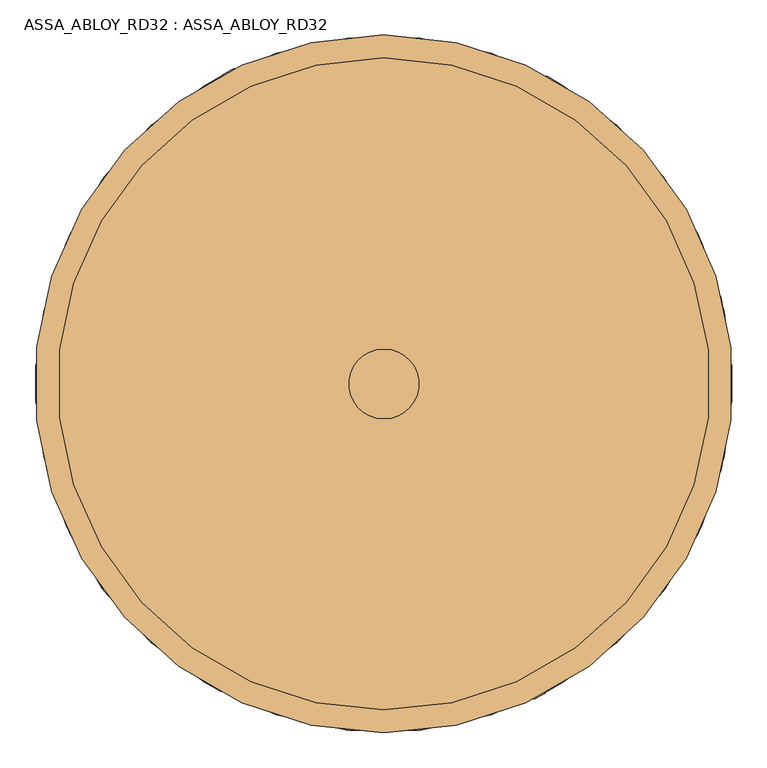
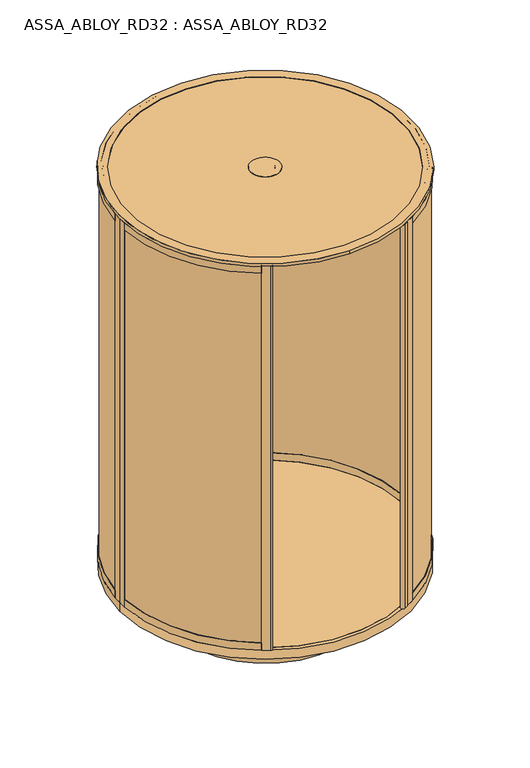
"""IFC4 building model written with IfcOpenShell, lengths in millimetres: door geometry, ASSA_ABLOY_RD32 : ASSA_ABLOY_RD32."""

from ifc_helpers import new_model, si_unit, point, frame, frame_2d, origin, origin_with_axes, place, context, project, spatial, polyline, circle_curve, trimmed, segment, composite_curve, outline, extrude, source, transform, mapped, element, save
from ifc_brep_helpers import plane_surface, cylinder_surface, revolved_surface, advanced_brep


def assa_abloy_rd32_assa_abloy_rd32_c9329c47(model_context):
    return source(origin(), model_context, "Body", "SolidModel", [
        extrude(outline(composite_curve([segment(trimmed(circle_curve(frame_2d((125.0, 0.0)), 989.0), [point((619.5, 856.4991243))], [point((1113.4436781, 33.1676829))], False, "CARTESIAN"), True, "CONTINUOUS"), segment(polyline([(1113.4436781, 33.1676829), (1103.4493032, 32.8323171)]), True, "CONTINUOUS"), segment(trimmed(circle_curve(frame_2d((125.0, 0.0)), 979.0), [point((1103.4493032, 32.8323171))], [point((614.5, 847.8388703))], True, "CARTESIAN"), True, "CONTINUOUS"), segment(polyline([(614.5, 847.8388703), (619.5, 856.4991243)]), True, "CONTINUOUS")], self_intersect=False)), frame((0.0, 0.0, 33.0), z_axis=(0.0, 0.0, 1.0), x_axis=(1.0, 0.0, 0.0)), (0.0, 0.0, 1.0), 2715.0),
        extrude(outline(composite_curve([segment(trimmed(circle_curve(frame_2d((125.0, 0.0)), 989.0), [point((1113.4436781, -33.1676829))], [point((619.5, -856.4991243))], False, "CARTESIAN"), True, "CONTINUOUS"), segment(polyline([(619.5, -856.4991243), (614.5, -847.8388703)]), True, "CONTINUOUS"), segment(trimmed(circle_curve(frame_2d((125.0, 0.0)), 979.0), [point((614.5, -847.8388703))], [point((1103.4493032, -32.8323171))], True, "CARTESIAN"), True, "CONTINUOUS"), segment(polyline([(1103.4493032, -32.8323171), (1113.4436781, -33.1676829)]), True, "CONTINUOUS")], self_intersect=False)), frame((0.0, 0.0, 33.0), z_axis=(0.0, 0.0, 1.0), x_axis=(1.0, 0.0, 0.0)), (0.0, 0.0, 1.0), 2715.0),
        extrude(outline(composite_curve([segment(polyline([(621.9998179, -860.828936), (639.320326, -850.828936), (640.8201439, -853.4266969), (586.2605435, -884.9266969), (586.760545, -885.7927249), (560.7781998, -900.7936389)]), True, "CONTINUOUS"), segment(trimmed(circle_curve(frame_2d((553.7783803, -888.669596)), 13.9996389), [point((560.7781998, -900.7936389))], [point((546.7785609, -876.545553))], False, "CARTESIAN"), True, "CONTINUOUS"), segment(polyline([(546.7785609, -876.545553), (572.7609061, -861.544639), (573.2609076, -862.4106671), (627.8205081, -830.9106671), (629.320326, -833.5084279), (611.9998179, -843.5084279), (621.9998179, -860.828936)]), True, "CONTINUOUS")], self_intersect=False)), origin_with_axes(), (0.0, 0.0, 1.0), 2778.0),
        extrude(outline(composite_curve([segment(polyline([(621.9998179, 860.828936), (611.9998179, 843.5084279), (629.320326, 833.5084279), (627.8205081, 830.9106671), (582.7868716, 856.9108492)]), True, "CONTINUOUS"), segment(trimmed(circle_curve(frame_2d((589.2866895, 868.1688641)), 12.9996359), [point((582.7868716, 856.9108492))], [point((595.7865074, 879.426879))], False, "CARTESIAN"), True, "CONTINUOUS"), segment(polyline([(595.7865074, 879.426879), (640.8201439, 853.4266969), (639.320326, 850.828936), (621.9998179, 860.828936)]), True, "CONTINUOUS")], self_intersect=False)), origin_with_axes(), (0.0, 0.0, 1.0), 2778.0),
        advanced_brep(
        [(627.2711247, 831.0022366, 0.0), (627.2711247, 831.0022366, 53.0), (628.8229408, 833.5696998, 53.0), (628.8229408, 833.5696998, 33.0), (639.168381, 850.6861207, 33.0), (639.168381, 850.6861207, 53.0), (640.7201971, 853.2535838, 53.0), (640.7201971, 853.2535838, 0.0), (1094.6270403, 51.6178536, 0.0), (1120.5902772, 53.0, 0.0), (1120.5902772, 53.0, 53.0), (1117.5945191, 52.8405216, 53.0), (1117.5945191, 52.8405216, 33.0), (1097.6227984, 51.777332, 33.0), (1097.6227984, 51.777332, 53.0), (1094.6270403, 51.6178536, 53.0)],
        [
            (0, 1),
            (1, 2),
            (2, 3),
            (3, 4),
            (4, 5),
            (5, 6),
            (6, 7),
            (7, 0),
            (8, 9),
            (9, 10),
            (10, 11),
            (11, 12),
            (12, 13),
            (13, 14),
            (14, 15),
            (15, 8),
            (15, 1, circle_curve(frame((125.0, 0.0, 53.0), z_axis=(0.0, 0.0, 1.0), x_axis=(0.5172720131197738, 0.8558210469736162, 0.0)), 971.0)),
            (0, 8, circle_curve(frame((125.0, 0.0, 0.0), z_axis=(0.0, 0.0, -1.0), x_axis=(0.5172720131197738, 0.8558210469736162, 0.0)), 971.0)),
            (14, 2, circle_curve(frame((125.0, 0.0, 53.0), z_axis=(0.0, 0.0, 1.0), x_axis=(0.5172720131197738, 0.8558210469736162, 0.0)), 974.0)),
            (13, 3, circle_curve(frame((125.0, 0.0, 33.0), z_axis=(0.0, 0.0, 1.0), x_axis=(0.5172720131197738, 0.8558210469736162, 0.0)), 974.0)),
            (12, 4, circle_curve(frame((125.0, 0.0, 33.0), z_axis=(0.0, 0.0, 1.0), x_axis=(0.5172720131197738, 0.8558210469736162, 0.0)), 994.0)),
            (11, 5, circle_curve(frame((125.0, 0.0, 53.0), z_axis=(0.0, 0.0, 1.0), x_axis=(0.5172720131197738, 0.8558210469736162, 0.0)), 994.0)),
            (10, 6, circle_curve(frame((125.0, 0.0, 53.0), z_axis=(0.0, 0.0, 1.0), x_axis=(0.5172720131197738, 0.8558210469736162, 0.0)), 997.0)),
            (9, 7, circle_curve(frame((125.0, 0.0, 0.0), z_axis=(0.0, 0.0, 1.0), x_axis=(0.5172720131197738, 0.8558210469736162, 0.0)), 997.0)),
        ],
        [
            plane_surface(frame((640.7201971, 853.2535838, 0.0), z_axis=(-0.8558210469736162, 0.5172720131197739, 0.0), x_axis=(0.0, 0.0, 1.0))),
            plane_surface(frame((1120.5902772, 53.0, 0.0), z_axis=(0.05315947843547908, -0.9985860352781166, 0.0), x_axis=(0.0, 0.0, 1.0))),
            revolved_surface(polyline([(627.2711247393004, 831.0022366113812, 0.0), (627.2711247393004, 831.0022366113812, 53.0)]), (125.0, 0.0, 0.0), (0.0, 0.0, -1.0)),
            plane_surface(frame((125.0, 0.0, 53.0), z_axis=(0.0, 0.0, 1.0000000000000002), x_axis=(0.5172720131197739, 0.8558210469736163, 0.0))),
            cylinder_surface(frame((125.0, 0.0, 0.0), z_axis=(0.0, 0.0, -1.0), x_axis=(0.5172720131197738, 0.8558210469736162, 0.0)), 974.0),
            plane_surface(frame((125.0, 0.0, 33.0), z_axis=(0.0, 0.0, 1.0000000000000002), x_axis=(0.5172720131197739, 0.8558210469736163, 0.0))),
            revolved_surface(polyline([(639.1683810410551, 850.6861206917745, 33.0), (639.1683810410551, 850.6861206917745, 53.0)]), (125.0, 0.0, 0.0), (0.0, 0.0, -1.0)),
            cylinder_surface(frame((125.0, 0.0, 0.0), z_axis=(0.0, 0.0, -1.0), x_axis=(0.5172720131197738, 0.8558210469736162, 0.0)), 997.0),
            plane_surface(frame((125.0, 0.0, 0.0), z_axis=(0.0, 0.0, -1.0000000000000002), x_axis=(0.5172720131197739, 0.8558210469736163, 0.0))),
        ],
        [
            (0, [[1, 2, 3, 4, 5, 6, 7, 8]]),
            (1, [[9, 10, 11, 12, 13, 14, 15, 16]]),
            (2, [[17, -1, 18, -16]]),
            (3, [[19, -2, -17, -15]]),
            (4, [[20, -3, -19, -14]]),
            (5, [[21, -4, -20, -13]]),
            (6, [[22, -5, -21, -12]]),
            (3, [[23, -6, -22, -11]]),
            (7, [[24, -7, -23, -10]]),
            (8, [[-18, -8, -24, -9]]),
        ],
    ),
        advanced_brep(
        [(1094.6270403, 51.6178536, 2778.0), (1094.6270403, 51.6178536, 2728.0), (1097.6227984, 51.777332, 2728.0), (1097.6227984, 51.777332, 2748.0), (1117.5945191, 52.8405216, 2748.0), (1117.5945191, 52.8405216, 2728.0), (1120.5902772, 53.0, 2728.0), (1120.5902772, 53.0, 2778.0), (627.2711247, 831.0022366, 2778.0), (640.7201971, 853.2535838, 2778.0), (640.7201971, 853.2535838, 2728.0), (639.168381, 850.6861207, 2728.0), (639.168381, 850.6861207, 2748.0), (628.8229408, 833.5696997, 2748.0), (628.8229408, 833.5696997, 2728.0), (627.2711247, 831.0022366, 2728.0)],
        [
            (0, 1),
            (1, 2),
            (2, 3),
            (3, 4),
            (4, 5),
            (5, 6),
            (6, 7),
            (7, 0),
            (8, 9),
            (9, 10),
            (10, 11),
            (11, 12),
            (12, 13),
            (13, 14),
            (14, 15),
            (15, 8),
            (15, 1, circle_curve(frame((125.0, 0.0, 2728.0), z_axis=(0.0, 0.0, -1.0), x_axis=(0.9985860352779897, 0.05315947843786122, 0.0)), 971.0)),
            (0, 8, circle_curve(frame((125.0, 0.0, 2778.0), z_axis=(0.0, 0.0, 1.0), x_axis=(0.9985860352779897, 0.05315947843786122, 0.0)), 971.0)),
            (14, 2, circle_curve(frame((125.0, 0.0, 2728.0), z_axis=(0.0, 0.0, -1.0), x_axis=(0.9985860352779897, 0.05315947843786122, 0.0)), 974.0)),
            (9, 7, circle_curve(frame((125.0, 0.0, 2778.0), z_axis=(0.0, 0.0, -1.0), x_axis=(0.9985860352779897, 0.05315947843786122, 0.0)), 997.0)),
            (6, 10, circle_curve(frame((125.0, 0.0, 2728.0), z_axis=(0.0, 0.0, 1.0), x_axis=(0.9985860352779897, 0.05315947843786122, 0.0)), 997.0)),
            (13, 3, circle_curve(frame((125.0, 0.0, 2748.0), z_axis=(0.0, 0.0, -1.0), x_axis=(0.9985860352779897, 0.05315947843786122, 0.0)), 974.0)),
            (12, 4, circle_curve(frame((125.0, 0.0, 2748.0), z_axis=(0.0, 0.0, -1.0), x_axis=(0.9985860352779897, 0.05315947843786122, 0.0)), 994.0)),
            (11, 5, circle_curve(frame((125.0, 0.0, 2728.0), z_axis=(0.0, 0.0, -1.0), x_axis=(0.9985860352779897, 0.05315947843786122, 0.0)), 994.0)),
        ],
        [
            plane_surface(frame((1120.5902772, 53.0, 2778.0), z_axis=(0.053159478437861236, -0.9985860352779897, 0.0), x_axis=(0.0, 0.0, 1.0))),
            plane_surface(frame((640.7201971, 853.2535838, 2778.0), z_axis=(-0.855821046973346, 0.5172720131202209, 0.0), x_axis=(0.0, 0.0, 1.0))),
            revolved_surface(polyline([(1094.627040254928, 51.617853563163244, 2778.0), (1094.627040254928, 51.617853563163244, 2728.0)]), (125.0, 0.0, 2778.0), (0.0, 0.0, 1.0)),
            plane_surface(frame((125.0, 0.0, 2728.0), z_axis=(0.0, 0.0, -1.0), x_axis=(0.9985860352779897, 0.05315947843786122, 0.0))),
            cylinder_surface(frame((125.0, 0.0, 2778.0), z_axis=(0.0, 0.0, 1.0), x_axis=(0.9985860352779897, 0.05315947843786122, 0.0)), 997.0),
            plane_surface(frame((125.0, 0.0, 2778.0), z_axis=(0.0, 0.0, 1.0), x_axis=(0.9985860352779897, 0.05315947843786122, 0.0))),
            cylinder_surface(frame((125.0, 0.0, 2778.0), z_axis=(0.0, 0.0, 1.0), x_axis=(0.9985860352779897, 0.05315947843786122, 0.0)), 974.0),
            plane_surface(frame((125.0, 0.0, 2748.0), z_axis=(0.0, 0.0, -1.0), x_axis=(0.9985860352779897, 0.05315947843786122, 0.0))),
            revolved_surface(polyline([(1117.594519066322, 52.840521567234056, 2748.0), (1117.594519066322, 52.840521567234056, 2728.0)]), (125.0, 0.0, 2778.0), (0.0, 0.0, 1.0)),
        ],
        [
            (0, [[1, 2, 3, 4, 5, 6, 7, 8]]),
            (1, [[9, 10, 11, 12, 13, 14, 15, 16]]),
            (2, [[17, -1, 18, -16]]),
            (3, [[19, -2, -17, -15]]),
            (4, [[20, -7, 21, -10]]),
            (5, [[-18, -8, -20, -9]]),
            (6, [[22, -3, -19, -14]]),
            (7, [[23, -4, -22, -13]]),
            (8, [[24, -5, -23, -12]]),
            (3, [[-21, -6, -24, -11]]),
        ],
    ),
        extrude(outline(polyline([(1122.0, 0.0), (1096.0, 0.0), (1096.0, 53.0), (1099.0, 53.0), (1099.0, 33.0), (1119.0, 33.0), (1119.0, 53.0), (1122.0, 53.0), (1122.0, 0.0)])), origin_with_axes(), (0.0, 0.0, 1.0), 2778.0),
        advanced_brep(
        [(627.2711247, -831.0022366, 0.0), (640.7201971, -853.2535838, 0.0), (640.7201971, -853.2535838, 53.0), (639.168381, -850.6861207, 53.0), (639.168381, -850.6861207, 33.0), (628.8229408, -833.5696998, 33.0), (628.8229408, -833.5696998, 53.0), (627.2711247, -831.0022366, 53.0), (1094.6270403, -51.6178536, 0.0), (1094.6270403, -51.6178536, 53.0), (1097.6227984, -51.777332, 53.0), (1097.6227984, -51.777332, 33.0), (1117.5945191, -52.8405216, 33.0), (1117.5945191, -52.8405216, 53.0), (1120.5902772, -53.0, 53.0), (1120.5902772, -53.0, 0.0)],
        [
            (0, 1),
            (1, 2),
            (2, 3),
            (3, 4),
            (4, 5),
            (5, 6),
            (6, 7),
            (7, 0),
            (8, 9),
            (9, 10),
            (10, 11),
            (11, 12),
            (12, 13),
            (13, 14),
            (14, 15),
            (15, 8),
            (8, 0, circle_curve(frame((125.0, 0.0, 0.0), z_axis=(0.0, 0.0, -1.0), x_axis=(0.5172720131195371, -0.8558210469737593, 0.0)), 971.0)),
            (7, 9, circle_curve(frame((125.0, 0.0, 53.0), z_axis=(0.0, 0.0, 1.0), x_axis=(0.5172720131195371, -0.8558210469737593, 0.0)), 971.0)),
            (6, 10, circle_curve(frame((125.0, 0.0, 53.0), z_axis=(0.0, 0.0, 1.0), x_axis=(0.5172720131195371, -0.8558210469737593, 0.0)), 974.0)),
            (5, 11, circle_curve(frame((125.0, 0.0, 33.0), z_axis=(0.0, 0.0, 1.0), x_axis=(0.5172720131195371, -0.8558210469737593, 0.0)), 974.0)),
            (4, 12, circle_curve(frame((125.0, 0.0, 33.0), z_axis=(0.0, 0.0, 1.0), x_axis=(0.5172720131195371, -0.8558210469737593, 0.0)), 994.0)),
            (3, 13, circle_curve(frame((125.0, 0.0, 53.0), z_axis=(0.0, 0.0, 1.0), x_axis=(0.5172720131195371, -0.8558210469737593, 0.0)), 994.0)),
            (2, 14, circle_curve(frame((125.0, 0.0, 53.0), z_axis=(0.0, 0.0, 1.0), x_axis=(0.5172720131195371, -0.8558210469737593, 0.0)), 997.0)),
            (1, 15, circle_curve(frame((125.0, 0.0, 0.0), z_axis=(0.0, 0.0, 1.0), x_axis=(0.5172720131195371, -0.8558210469737593, 0.0)), 997.0)),
        ],
        [
            plane_surface(frame((640.7201971, -853.2535838, 0.0), z_axis=(-0.8558210469737594, -0.5172720131195372, 0.0), x_axis=(0.0, 0.0, 1.0))),
            plane_surface(frame((1120.5902772, -53.0, 0.0), z_axis=(0.053159478435714, 0.9985860352781041, 0.0), x_axis=(0.0, 0.0, 1.0))),
            revolved_surface(polyline([(627.2711247390705, -831.0022366115203, 53.0), (627.2711247390705, -831.0022366115203, 0.0)]), (125.0, 0.0, 0.0), (0.0, 0.0, 1.0)),
            plane_surface(frame((125.0, 0.0, 53.0), z_axis=(0.0, 0.0, 1.0), x_axis=(0.5172720131195371, -0.8558210469737593, 0.0))),
            cylinder_surface(frame((125.0, 0.0, 0.0), z_axis=(0.0, 0.0, 1.0), x_axis=(0.5172720131195371, -0.8558210469737593, 0.0)), 974.0),
            plane_surface(frame((125.0, 0.0, 33.0), z_axis=(0.0, 0.0, 1.0), x_axis=(0.5172720131195371, -0.8558210469737593, 0.0))),
            revolved_surface(polyline([(639.1683810408199, -850.6861206919167, 53.0), (639.1683810408199, -850.6861206919167, 33.0)]), (125.0, 0.0, 0.0), (0.0, 0.0, 1.0)),
            cylinder_surface(frame((125.0, 0.0, 0.0), z_axis=(0.0, 0.0, 1.0), x_axis=(0.5172720131195371, -0.8558210469737593, 0.0)), 997.0),
            plane_surface(frame((125.0, 0.0, 0.0), z_axis=(0.0, 0.0, -1.0), x_axis=(0.5172720131195371, -0.8558210469737593, 0.0))),
        ],
        [
            (0, [[1, 2, 3, 4, 5, 6, 7, 8]]),
            (1, [[9, 10, 11, 12, 13, 14, 15, 16]]),
            (2, [[17, -8, 18, -9]]),
            (3, [[-18, -7, 19, -10]]),
            (4, [[-19, -6, 20, -11]]),
            (5, [[-20, -5, 21, -12]]),
            (6, [[-21, -4, 22, -13]]),
            (3, [[-22, -3, 23, -14]]),
            (7, [[-23, -2, 24, -15]]),
            (8, [[-24, -1, -17, -16]]),
        ],
    ),
        advanced_brep(
        [(1094.6270403, -51.6178536, 2778.0), (1120.5902772, -53.0, 2778.0), (1120.5902772, -53.0, 2728.0), (1117.5945191, -52.8405216, 2728.0), (1117.5945191, -52.8405216, 2748.0), (1097.6227984, -51.777332, 2748.0), (1097.6227984, -51.777332, 2728.0), (1094.6270403, -51.6178536, 2728.0), (627.2711247, -831.0022366, 2778.0), (627.2711247, -831.0022366, 2728.0), (628.8229408, -833.5696998, 2728.0), (628.8229408, -833.5696998, 2748.0), (639.168381, -850.6861207, 2748.0), (639.168381, -850.6861207, 2728.0), (640.7201971, -853.2535838, 2728.0), (640.7201971, -853.2535838, 2778.0)],
        [
            (0, 1),
            (1, 2),
            (2, 3),
            (3, 4),
            (4, 5),
            (5, 6),
            (6, 7),
            (7, 0),
            (8, 9),
            (9, 10),
            (10, 11),
            (11, 12),
            (12, 13),
            (13, 14),
            (14, 15),
            (15, 8),
            (8, 0, circle_curve(frame((125.0, 0.0, 2778.0), z_axis=(0.0, 0.0, 1.0), x_axis=(0.998586035278285, -0.05315947843231441, 0.0)), 971.0)),
            (7, 9, circle_curve(frame((125.0, 0.0, 2728.0), z_axis=(0.0, 0.0, -1.0), x_axis=(0.998586035278285, -0.05315947843231441, 0.0)), 971.0)),
            (6, 10, circle_curve(frame((125.0, 0.0, 2728.0), z_axis=(0.0, 0.0, -1.0), x_axis=(0.998586035278285, -0.05315947843231441, 0.0)), 974.0)),
            (14, 2, circle_curve(frame((125.0, 0.0, 2728.0), z_axis=(0.0, 0.0, 1.0), x_axis=(0.998586035278285, -0.05315947843231441, 0.0)), 997.0)),
            (1, 15, circle_curve(frame((125.0, 0.0, 2778.0), z_axis=(0.0, 0.0, -1.0), x_axis=(0.998586035278285, -0.05315947843231441, 0.0)), 997.0)),
            (5, 11, circle_curve(frame((125.0, 0.0, 2748.0), z_axis=(0.0, 0.0, -1.0), x_axis=(0.998586035278285, -0.05315947843231441, 0.0)), 974.0)),
            (4, 12, circle_curve(frame((125.0, 0.0, 2748.0), z_axis=(0.0, 0.0, -1.0), x_axis=(0.998586035278285, -0.05315947843231441, 0.0)), 994.0)),
            (3, 13, circle_curve(frame((125.0, 0.0, 2728.0), z_axis=(0.0, 0.0, -1.0), x_axis=(0.998586035278285, -0.05315947843231441, 0.0)), 994.0)),
        ],
        [
            plane_surface(frame((1120.5902772, -53.0, 2778.0), z_axis=(0.053159478432314444, 0.998586035278285, 0.0), x_axis=(0.0, 0.0, 1.0))),
            plane_surface(frame((640.7201971, -853.2535838, 2778.0), z_axis=(-0.8558210469721426, -0.517272013122212, 0.0), x_axis=(0.0, 0.0, 1.0))),
            revolved_surface(polyline([(1094.6270402552148, -51.617853557777295, 2728.0), (1094.6270402552148, -51.617853557777295, 2778.0)]), (125.0, 0.0, 2778.0), (0.0, 0.0, -1.0)),
            plane_surface(frame((125.0, 0.0, 2728.0), z_axis=(0.0, 0.0, -1.0), x_axis=(0.998586035278285, -0.05315947843231441, 0.0))),
            cylinder_surface(frame((125.0, 0.0, 2778.0), z_axis=(0.0, 0.0, -1.0), x_axis=(0.998586035278285, -0.05315947843231441, 0.0)), 997.0),
            plane_surface(frame((125.0, 0.0, 2778.0), z_axis=(0.0, 0.0, 1.0), x_axis=(0.998586035278285, -0.05315947843231441, 0.0))),
            cylinder_surface(frame((125.0, 0.0, 2778.0), z_axis=(0.0, 0.0, -1.0), x_axis=(0.998586035278285, -0.05315947843231441, 0.0)), 974.0),
            plane_surface(frame((125.0, 0.0, 2748.0), z_axis=(0.0, 0.0, -1.0), x_axis=(0.998586035278285, -0.05315947843231441, 0.0))),
            revolved_surface(polyline([(1117.5945190666152, -52.84052156172052, 2728.0), (1117.5945190666152, -52.84052156172052, 2748.0)]), (125.0, 0.0, 2778.0), (0.0, 0.0, -1.0)),
        ],
        [
            (0, [[1, 2, 3, 4, 5, 6, 7, 8]]),
            (1, [[9, 10, 11, 12, 13, 14, 15, 16]]),
            (2, [[17, -8, 18, -9]]),
            (3, [[-18, -7, 19, -10]]),
            (4, [[20, -2, 21, -15]]),
            (5, [[-21, -1, -17, -16]]),
            (6, [[-19, -6, 22, -11]]),
            (7, [[-22, -5, 23, -12]]),
            (8, [[-23, -4, 24, -13]]),
            (3, [[-24, -3, -20, -14]]),
        ],
    ),
        extrude(outline(polyline([(1122.0, 0.0), (1122.0, -53.0), (1119.0, -53.0), (1119.0, -33.0), (1099.0, -33.0), (1099.0, -53.0), (1096.0, -53.0), (1096.0, 0.0), (1122.0, 0.0)])), origin_with_axes(), (0.0, 0.0, 1.0), 2778.0),
        extrude(outline(composite_curve([segment(trimmed(circle_curve(frame_2d((125.0, 0.0)), 979.0), [point((-364.5, 847.8388703))], [point((-854.0, 0.0))], True, "CARTESIAN"), True, "CONTINUOUS"), segment(polyline([(-854.0, 0.0), (-864.0, 0.0)]), True, "CONTINUOUS"), segment(trimmed(circle_curve(frame_2d((125.0, 0.0)), 989.0), [point((-864.0, 0.0))], [point((-369.5, 856.4991243))], False, "CARTESIAN"), True, "CONTINUOUS"), segment(polyline([(-369.5, 856.4991243), (-364.5, 847.8388703)]), True, "CONTINUOUS")], self_intersect=False)), frame((0.0, 0.0, 33.0), z_axis=(0.0, 0.0, 1.0), x_axis=(1.0, 0.0, 0.0)), (0.0, 0.0, 1.0), 2715.0),
        advanced_brep(
        [(-377.2711247, 831.0022366, 0.0), (-390.7201971, 853.2535838, 0.0), (-390.7201971, 853.2535838, 53.0), (-389.168381, 850.6861207, 53.0), (-389.168381, 850.6861207, 33.0), (-378.8229408, 833.5696998, 33.0), (-378.8229408, 833.5696998, 53.0), (-377.2711247, 831.0022366, 53.0), (-844.6270403, 51.6178536, 0.0), (-844.6270403, 51.6178536, 53.0), (-847.6227984, 51.777332, 53.0), (-847.6227984, 51.777332, 33.0), (-867.5945191, 52.8405216, 33.0), (-867.5945191, 52.8405216, 53.0), (-870.5902772, 53.0, 53.0), (-870.5902772, 53.0, 0.0)],
        [
            (0, 1),
            (1, 2),
            (2, 3),
            (3, 4),
            (4, 5),
            (5, 6),
            (6, 7),
            (7, 0),
            (8, 9),
            (9, 10),
            (10, 11),
            (11, 12),
            (12, 13),
            (13, 14),
            (14, 15),
            (15, 8),
            (8, 0, circle_curve(frame((125.0, 0.0, 0.0), z_axis=(0.0, 0.0, -1.0), x_axis=(-0.5172720131199363, 0.8558210469735179, 0.0)), 971.0)),
            (7, 9, circle_curve(frame((125.0, 0.0, 53.0), z_axis=(0.0, 0.0, 1.0), x_axis=(-0.5172720131199363, 0.8558210469735179, 0.0)), 971.0)),
            (6, 10, circle_curve(frame((125.0, 0.0, 53.0), z_axis=(0.0, 0.0, 1.0), x_axis=(-0.5172720131199363, 0.8558210469735179, 0.0)), 974.0)),
            (5, 11, circle_curve(frame((125.0, 0.0, 33.0), z_axis=(0.0, 0.0, 1.0), x_axis=(-0.5172720131199363, 0.8558210469735179, 0.0)), 974.0)),
            (4, 12, circle_curve(frame((125.0, 0.0, 33.0), z_axis=(0.0, 0.0, 1.0), x_axis=(-0.5172720131199363, 0.8558210469735179, 0.0)), 994.0)),
            (3, 13, circle_curve(frame((125.0, 0.0, 53.0), z_axis=(0.0, 0.0, 1.0), x_axis=(-0.5172720131199363, 0.8558210469735179, 0.0)), 994.0)),
            (2, 14, circle_curve(frame((125.0, 0.0, 53.0), z_axis=(0.0, 0.0, 1.0), x_axis=(-0.5172720131199363, 0.8558210469735179, 0.0)), 997.0)),
            (1, 15, circle_curve(frame((125.0, 0.0, 0.0), z_axis=(0.0, 0.0, 1.0), x_axis=(-0.5172720131199363, 0.8558210469735179, 0.0)), 997.0)),
        ],
        [
            plane_surface(frame((-390.7201971, 853.2535838, 0.0), z_axis=(0.855821046973518, 0.5172720131199363, 0.0), x_axis=(0.0, 0.0, 1.0))),
            plane_surface(frame((-870.5902772, 53.0, 0.0), z_axis=(-0.0531594784350477, -0.9985860352781395, 0.0), x_axis=(0.0, 0.0, 1.0))),
            revolved_surface(polyline([(-377.2711247394582, 831.0022366112859, 53.0), (-377.2711247394582, 831.0022366112859, 0.0)]), (125.0, 0.0, 0.0), (0.0, 0.0, 1.0)),
            plane_surface(frame((125.0, 0.0, 53.0), z_axis=(0.0, 0.0, 1.0000000000000002), x_axis=(-0.5172720131199364, 0.855821046973518, 0.0))),
            cylinder_surface(frame((125.0, 0.0, 0.0), z_axis=(0.0, 0.0, 1.0), x_axis=(-0.5172720131199363, 0.8558210469735179, 0.0)), 974.0),
            plane_surface(frame((125.0, 0.0, 33.0), z_axis=(0.0, 0.0, 1.0000000000000002), x_axis=(-0.5172720131199364, 0.855821046973518, 0.0))),
            revolved_surface(polyline([(-389.16838104121666, 850.6861206916768, 53.0), (-389.16838104121666, 850.6861206916768, 33.0)]), (125.0, 0.0, 0.0), (0.0, 0.0, 1.0)),
            cylinder_surface(frame((125.0, 0.0, 0.0), z_axis=(0.0, 0.0, 1.0), x_axis=(-0.5172720131199363, 0.8558210469735179, 0.0)), 997.0),
            plane_surface(frame((125.0, 0.0, 0.0), z_axis=(0.0, 0.0, -1.0000000000000002), x_axis=(-0.5172720131199364, 0.855821046973518, 0.0))),
        ],
        [
            (0, [[1, 2, 3, 4, 5, 6, 7, 8]]),
            (1, [[9, 10, 11, 12, 13, 14, 15, 16]]),
            (2, [[17, -8, 18, -9]]),
            (3, [[-18, -7, 19, -10]]),
            (4, [[-19, -6, 20, -11]]),
            (5, [[-20, -5, 21, -12]]),
            (6, [[-21, -4, 22, -13]]),
            (3, [[-22, -3, 23, -14]]),
            (7, [[-23, -2, 24, -15]]),
            (8, [[-24, -1, -17, -16]]),
        ],
    ),
        advanced_brep(
        [(-844.6270403, 51.6178536, 2778.0), (-870.5902772, 53.0, 2778.0), (-870.5902772, 53.0, 2728.0), (-867.5945191, 52.8405216, 2728.0), (-867.5945191, 52.8405216, 2748.0), (-847.6227984, 51.777332, 2748.0), (-847.6227984, 51.777332, 2728.0), (-844.6270403, 51.6178536, 2728.0), (-377.2711247, 831.0022366, 2778.0), (-377.2711247, 831.0022366, 2728.0), (-378.8229408, 833.5696998, 2728.0), (-378.8229408, 833.5696998, 2748.0), (-389.168381, 850.6861207, 2748.0), (-389.168381, 850.6861207, 2728.0), (-390.7201971, 853.2535838, 2728.0), (-390.7201971, 853.2535838, 2778.0)],
        [
            (0, 1),
            (1, 2),
            (2, 3),
            (3, 4),
            (4, 5),
            (5, 6),
            (6, 7),
            (7, 0),
            (8, 9),
            (9, 10),
            (10, 11),
            (11, 12),
            (12, 13),
            (13, 14),
            (14, 15),
            (15, 8),
            (8, 0, circle_curve(frame((125.0, 0.0, 2778.0), z_axis=(0.0, 0.0, 1.0), x_axis=(-0.9985860352779593, 0.053159478438433744, 0.0)), 971.0)),
            (7, 9, circle_curve(frame((125.0, 0.0, 2728.0), z_axis=(0.0, 0.0, -1.0), x_axis=(-0.9985860352779593, 0.053159478438433744, 0.0)), 971.0)),
            (6, 10, circle_curve(frame((125.0, 0.0, 2728.0), z_axis=(0.0, 0.0, -1.0), x_axis=(-0.9985860352779593, 0.053159478438433744, 0.0)), 974.0)),
            (14, 2, circle_curve(frame((125.0, 0.0, 2728.0), z_axis=(0.0, 0.0, 1.0), x_axis=(-0.9985860352779593, 0.053159478438433744, 0.0)), 997.0)),
            (1, 15, circle_curve(frame((125.0, 0.0, 2778.0), z_axis=(0.0, 0.0, -1.0), x_axis=(-0.9985860352779593, 0.053159478438433744, 0.0)), 997.0)),
            (5, 11, circle_curve(frame((125.0, 0.0, 2748.0), z_axis=(0.0, 0.0, -1.0), x_axis=(-0.9985860352779593, 0.053159478438433744, 0.0)), 974.0)),
            (4, 12, circle_curve(frame((125.0, 0.0, 2748.0), z_axis=(0.0, 0.0, -1.0), x_axis=(-0.9985860352779593, 0.053159478438433744, 0.0)), 994.0)),
            (3, 13, circle_curve(frame((125.0, 0.0, 2728.0), z_axis=(0.0, 0.0, -1.0), x_axis=(-0.9985860352779593, 0.053159478438433744, 0.0)), 994.0)),
        ],
        [
            plane_surface(frame((-870.5902772, 53.0, 2778.0), z_axis=(-0.05315947843843367, -0.9985860352779593, 0.0), x_axis=(0.0, 0.0, 1.0))),
            plane_surface(frame((-390.7201971, 853.2535838, 2778.0), z_axis=(0.855821046975163, 0.5172720131172146, 0.0), x_axis=(0.0, 0.0, 1.0))),
            revolved_surface(polyline([(-844.6270402548985, 51.617853563719166, 2728.0), (-844.6270402548985, 51.617853563719166, 2778.0)]), (125.0, 0.0, 2778.0), (0.0, 0.0, -1.0)),
            plane_surface(frame((125.0, 0.0, 2728.0), z_axis=(0.0, 0.0, -1.0), x_axis=(-0.9985860352779593, 0.053159478438433744, 0.0))),
            cylinder_surface(frame((125.0, 0.0, 2778.0), z_axis=(0.0, 0.0, -1.0), x_axis=(-0.9985860352779593, 0.053159478438433744, 0.0)), 997.0),
            plane_surface(frame((125.0, 0.0, 2778.0), z_axis=(0.0, 0.0, 1.0), x_axis=(-0.9985860352779593, 0.053159478438433744, 0.0))),
            cylinder_surface(frame((125.0, 0.0, 2778.0), z_axis=(0.0, 0.0, -1.0), x_axis=(-0.9985860352779593, 0.053159478438433744, 0.0)), 974.0),
            plane_surface(frame((125.0, 0.0, 2748.0), z_axis=(0.0, 0.0, -1.0), x_axis=(-0.9985860352779593, 0.053159478438433744, 0.0))),
            revolved_surface(polyline([(-867.5945190662916, 52.840521567803144, 2728.0), (-867.5945190662916, 52.840521567803144, 2748.0)]), (125.0, 0.0, 2778.0), (0.0, 0.0, -1.0)),
        ],
        [
            (0, [[1, 2, 3, 4, 5, 6, 7, 8]]),
            (1, [[9, 10, 11, 12, 13, 14, 15, 16]]),
            (2, [[17, -8, 18, -9]]),
            (3, [[-18, -7, 19, -10]]),
            (4, [[20, -2, 21, -15]]),
            (5, [[-21, -1, -17, -16]]),
            (6, [[-19, -6, 22, -11]]),
            (7, [[-22, -5, 23, -12]]),
            (8, [[-23, -4, 24, -13]]),
            (3, [[-24, -3, -20, -14]]),
        ],
    ),
        extrude(outline(composite_curve([segment(polyline([(-371.9998179, 860.828936), (-389.320326, 850.828936), (-390.8201439, 853.4266969), (-336.2605435, 884.9266969), (-336.760545, 885.7927249), (-310.7781998, 900.7936389)]), True, "CONTINUOUS"), segment(trimmed(circle_curve(frame_2d((-303.7783803, 888.669596)), 13.9996389), [point((-310.7781998, 900.7936389))], [point((-296.7785609, 876.545553))], False, "CARTESIAN"), True, "CONTINUOUS"), segment(polyline([(-296.7785609, 876.545553), (-322.7609061, 861.544639), (-323.2609076, 862.4106671), (-377.8205081, 830.9106671), (-379.320326, 833.5084279), (-361.9998179, 843.5084279), (-371.9998179, 860.828936)]), True, "CONTINUOUS")], self_intersect=False)), origin_with_axes(), (0.0, 0.0, 1.0), 2778.0),
        extrude(outline(polyline([(-872.0, 0.0), (-872.0, 53.0), (-869.0, 53.0), (-869.0, 33.0), (-849.0, 33.0), (-849.0, 53.0), (-846.0, 53.0), (-846.0, 0.0), (-872.0, 0.0)])), origin_with_axes(), (0.0, 0.0, 1.0), 2778.0),
        extrude(outline(composite_curve([segment(trimmed(circle_curve(frame_2d((125.0, 0.0)), 989.0), [point((-369.5, -856.4991243))], [point((-863.4436781, -33.1676829))], False, "CARTESIAN"), True, "CONTINUOUS"), segment(polyline([(-863.4436781, -33.1676829), (-853.4493032, -32.8323171)]), True, "CONTINUOUS"), segment(trimmed(circle_curve(frame_2d((125.0, 0.0)), 979.0), [point((-853.4493032, -32.8323171))], [point((-364.5, -847.8388703))], True, "CARTESIAN"), True, "CONTINUOUS"), segment(polyline([(-364.5, -847.8388703), (-369.5, -856.4991243)]), True, "CONTINUOUS")], self_intersect=False)), frame((0.0, 0.0, 33.0), z_axis=(0.0, 0.0, 1.0), x_axis=(1.0, 0.0, 0.0)), (0.0, 0.0, 1.0), 2715.0),
        advanced_brep(
        [(-377.2711247, -831.0022366, 0.0), (-377.2711247, -831.0022366, 53.0), (-378.8229408, -833.5696998, 53.0), (-378.8229408, -833.5696998, 33.0), (-389.168381, -850.6861207, 33.0), (-389.168381, -850.6861207, 53.0), (-390.7201971, -853.2535838, 53.0), (-390.7201971, -853.2535838, 0.0), (-844.6270403, -51.6178536, 0.0), (-870.5902772, -53.0, 0.0), (-870.5902772, -53.0, 53.0), (-867.5945191, -52.8405216, 53.0), (-867.5945191, -52.8405216, 33.0), (-847.6227984, -51.777332, 33.0), (-847.6227984, -51.777332, 53.0), (-844.6270403, -51.6178536, 53.0)],
        [
            (0, 1),
            (1, 2),
            (2, 3),
            (3, 4),
            (4, 5),
            (5, 6),
            (6, 7),
            (7, 0),
            (8, 9),
            (9, 10),
            (10, 11),
            (11, 12),
            (12, 13),
            (13, 14),
            (14, 15),
            (15, 8),
            (15, 1, circle_curve(frame((125.0, 0.0, 53.0), z_axis=(0.0, 0.0, 1.0), x_axis=(-0.5172720131195626, -0.8558210469737438, 0.0)), 971.0)),
            (0, 8, circle_curve(frame((125.0, 0.0, 0.0), z_axis=(0.0, 0.0, -1.0), x_axis=(-0.5172720131195626, -0.8558210469737438, 0.0)), 971.0)),
            (14, 2, circle_curve(frame((125.0, 0.0, 53.0), z_axis=(0.0, 0.0, 1.0), x_axis=(-0.5172720131195626, -0.8558210469737438, 0.0)), 974.0)),
            (13, 3, circle_curve(frame((125.0, 0.0, 33.0), z_axis=(0.0, 0.0, 1.0), x_axis=(-0.5172720131195626, -0.8558210469737438, 0.0)), 974.0)),
            (12, 4, circle_curve(frame((125.0, 0.0, 33.0), z_axis=(0.0, 0.0, 1.0), x_axis=(-0.5172720131195626, -0.8558210469737438, 0.0)), 994.0)),
            (11, 5, circle_curve(frame((125.0, 0.0, 53.0), z_axis=(0.0, 0.0, 1.0), x_axis=(-0.5172720131195626, -0.8558210469737438, 0.0)), 994.0)),
            (10, 6, circle_curve(frame((125.0, 0.0, 53.0), z_axis=(0.0, 0.0, 1.0), x_axis=(-0.5172720131195626, -0.8558210469737438, 0.0)), 997.0)),
            (9, 7, circle_curve(frame((125.0, 0.0, 0.0), z_axis=(0.0, 0.0, 1.0), x_axis=(-0.5172720131195626, -0.8558210469737438, 0.0)), 997.0)),
        ],
        [
            plane_surface(frame((-390.7201971, -853.2535838, 0.0), z_axis=(0.8558210469737437, -0.5172720131195627, 0.0), x_axis=(0.0, 0.0, 1.0))),
            plane_surface(frame((-870.5902772, -53.0, 0.0), z_axis=(-0.05315947843606917, 0.9985860352780852, 0.0), x_axis=(0.0, 0.0, 1.0))),
            revolved_surface(polyline([(-377.2711247390953, -831.0022366115053, 0.0), (-377.2711247390953, -831.0022366115053, 53.0)]), (125.0, 0.0, 0.0), (0.0, 0.0, -1.0)),
            plane_surface(frame((125.0, 0.0, 53.0), z_axis=(0.0, 0.0, 1.0), x_axis=(-0.5172720131195626, -0.8558210469737438, 0.0))),
            cylinder_surface(frame((125.0, 0.0, 0.0), z_axis=(0.0, 0.0, -1.0), x_axis=(-0.5172720131195626, -0.8558210469737438, 0.0)), 974.0),
            plane_surface(frame((125.0, 0.0, 33.0), z_axis=(0.0, 0.0, 1.0), x_axis=(-0.5172720131195626, -0.8558210469737438, 0.0))),
            revolved_surface(polyline([(-389.16838104084525, -850.6861206919014, 33.0), (-389.16838104084525, -850.6861206919014, 53.0)]), (125.0, 0.0, 0.0), (0.0, 0.0, -1.0)),
            cylinder_surface(frame((125.0, 0.0, 0.0), z_axis=(0.0, 0.0, -1.0), x_axis=(-0.5172720131195626, -0.8558210469737438, 0.0)), 997.0),
            plane_surface(frame((125.0, 0.0, 0.0), z_axis=(0.0, 0.0, -1.0), x_axis=(-0.5172720131195626, -0.8558210469737438, 0.0))),
        ],
        [
            (0, [[1, 2, 3, 4, 5, 6, 7, 8]]),
            (1, [[9, 10, 11, 12, 13, 14, 15, 16]]),
            (2, [[17, -1, 18, -16]]),
            (3, [[19, -2, -17, -15]]),
            (4, [[20, -3, -19, -14]]),
            (5, [[21, -4, -20, -13]]),
            (6, [[22, -5, -21, -12]]),
            (3, [[23, -6, -22, -11]]),
            (7, [[24, -7, -23, -10]]),
            (8, [[-18, -8, -24, -9]]),
        ],
    ),
        advanced_brep(
        [(-844.6270403, -51.6178536, 2778.0), (-844.6270403, -51.6178536, 2728.0), (-847.6227984, -51.777332, 2728.0), (-847.6227984, -51.777332, 2748.0), (-867.5945191, -52.8405216, 2748.0), (-867.5945191, -52.8405216, 2728.0), (-870.5902772, -53.0, 2728.0), (-870.5902772, -53.0, 2778.0), (-377.2711247, -831.0022366, 2778.0), (-390.7201971, -853.2535838, 2778.0), (-390.7201971, -853.2535838, 2728.0), (-389.168381, -850.6861207, 2728.0), (-389.168381, -850.6861207, 2748.0), (-378.8229408, -833.5696998, 2748.0), (-378.8229408, -833.5696998, 2728.0), (-377.2711247, -831.0022366, 2728.0)],
        [
            (0, 1),
            (1, 2),
            (2, 3),
            (3, 4),
            (4, 5),
            (5, 6),
            (6, 7),
            (7, 0),
            (8, 9),
            (9, 10),
            (10, 11),
            (11, 12),
            (12, 13),
            (13, 14),
            (14, 15),
            (15, 8),
            (15, 1, circle_curve(frame((125.0, 0.0, 2728.0), z_axis=(0.0, 0.0, -1.0), x_axis=(-0.9985860352782294, -0.05315947843335961, 0.0)), 971.0)),
            (0, 8, circle_curve(frame((125.0, 0.0, 2778.0), z_axis=(0.0, 0.0, 1.0), x_axis=(-0.9985860352782294, -0.05315947843335961, 0.0)), 971.0)),
            (14, 2, circle_curve(frame((125.0, 0.0, 2728.0), z_axis=(0.0, 0.0, -1.0), x_axis=(-0.9985860352782294, -0.05315947843335961, 0.0)), 974.0)),
            (9, 7, circle_curve(frame((125.0, 0.0, 2778.0), z_axis=(0.0, 0.0, -1.0), x_axis=(-0.9985860352782294, -0.05315947843335961, 0.0)), 997.0)),
            (6, 10, circle_curve(frame((125.0, 0.0, 2728.0), z_axis=(0.0, 0.0, 1.0), x_axis=(-0.9985860352782294, -0.05315947843335961, 0.0)), 997.0)),
            (13, 3, circle_curve(frame((125.0, 0.0, 2748.0), z_axis=(0.0, 0.0, -1.0), x_axis=(-0.9985860352782294, -0.05315947843335961, 0.0)), 974.0)),
            (12, 4, circle_curve(frame((125.0, 0.0, 2748.0), z_axis=(0.0, 0.0, -1.0), x_axis=(-0.9985860352782294, -0.05315947843335961, 0.0)), 994.0)),
            (11, 5, circle_curve(frame((125.0, 0.0, 2728.0), z_axis=(0.0, 0.0, -1.0), x_axis=(-0.9985860352782294, -0.05315947843335961, 0.0)), 994.0)),
        ],
        [
            plane_surface(frame((-870.5902772, -53.0, 2778.0), z_axis=(-0.05315947843335955, 0.9985860352782294, 0.0), x_axis=(0.0, 0.0, 1.0))),
            plane_surface(frame((-390.7201971, -853.2535838, 2778.0), z_axis=(0.8558210469739, -0.5172720131193043, 0.0), x_axis=(0.0, 0.0, 1.0))),
            revolved_surface(polyline([(-844.6270402551608, -51.61785355879218, 2778.0), (-844.6270402551608, -51.61785355879218, 2728.0)]), (125.0, 0.0, 2778.0), (0.0, 0.0, 1.0)),
            plane_surface(frame((125.0, 0.0, 2728.0), z_axis=(0.0, 0.0, -1.0000000000000002), x_axis=(-0.9985860352782294, -0.05315947843335961, 0.0))),
            cylinder_surface(frame((125.0, 0.0, 2778.0), z_axis=(0.0, 0.0, 1.0), x_axis=(-0.9985860352782294, -0.05315947843335961, 0.0)), 997.0),
            plane_surface(frame((125.0, 0.0, 2778.0), z_axis=(0.0, 0.0, 1.0000000000000002), x_axis=(-0.9985860352782294, -0.05315947843335961, 0.0))),
            cylinder_surface(frame((125.0, 0.0, 2778.0), z_axis=(0.0, 0.0, 1.0), x_axis=(-0.9985860352782294, -0.05315947843335961, 0.0)), 974.0),
            plane_surface(frame((125.0, 0.0, 2748.0), z_axis=(0.0, 0.0, -1.0000000000000002), x_axis=(-0.9985860352782294, -0.05315947843335961, 0.0))),
            revolved_surface(polyline([(-867.59451906656, -52.84052156275945, 2748.0), (-867.59451906656, -52.84052156275945, 2728.0)]), (125.0, 0.0, 2778.0), (0.0, 0.0, 1.0)),
        ],
        [
            (0, [[1, 2, 3, 4, 5, 6, 7, 8]]),
            (1, [[9, 10, 11, 12, 13, 14, 15, 16]]),
            (2, [[17, -1, 18, -16]]),
            (3, [[19, -2, -17, -15]]),
            (4, [[20, -7, 21, -10]]),
            (5, [[-18, -8, -20, -9]]),
            (6, [[22, -3, -19, -14]]),
            (7, [[23, -4, -22, -13]]),
            (8, [[24, -5, -23, -12]]),
            (3, [[-21, -6, -24, -11]]),
        ],
    ),
        extrude(outline(composite_curve([segment(polyline([(-371.9998179, -860.828936), (-361.9998179, -843.5084279), (-379.320326, -833.5084279), (-377.8205081, -830.9106671), (-332.7868721, -856.9108489)]), True, "CONTINUOUS"), segment(trimmed(circle_curve(frame_2d((-339.2866897, -868.168864)), 12.9996359), [point((-332.7868721, -856.9108489))], [point((-345.7865077, -879.4268789))], False, "CARTESIAN"), True, "CONTINUOUS"), segment(polyline([(-345.7865077, -879.4268789), (-390.8201439, -853.4266969), (-389.320326, -850.828936), (-371.9998179, -860.828936)]), True, "CONTINUOUS")], self_intersect=False)), origin_with_axes(), (0.0, 0.0, 1.0), 2778.0),
        extrude(outline(polyline([(-872.0, 0.0), (-846.0, 0.0), (-846.0, -53.0), (-849.0, -53.0), (-849.0, -33.0), (-869.0, -33.0), (-869.0, -53.0), (-872.0, -53.0), (-872.0, 0.0)])), origin_with_axes(), (0.0, 0.0, 1.0), 2778.0),
        extrude(outline(composite_curve([segment(trimmed(circle_curve(frame_2d((125.0, 0.0)), 971.0), [point((-846.0, 0.0))], [point((1096.0, 0.0))], False, "CARTESIAN"), True, "CONTINUOUS"), segment(trimmed(circle_curve(frame_2d((125.0, 0.0)), 971.0), [point((1096.0, 0.0))], [point((-846.0, 0.0))], False, "CARTESIAN"), True, "CONTINUOUS")], self_intersect=False)), frame((0.0, 0.0, -22.0), z_axis=(0.0, 0.0, 1.0), x_axis=(1.0, 0.0, 0.0)), (0.0, 0.0, 1.0), 22.0),
        advanced_brep(
        [(1122.0, 0.0, -65.0), (-872.0, 0.0, -65.0), (-872.0, 0.0, 0.0), (1122.0, 0.0, 0.0), (125.0, 0.0, -65.0), (1096.0, 0.0, -23.0), (-846.0, 0.0, -23.0), (125.0, 0.0, -23.0), (1096.0, 0.0, 0.0), (-846.0, 0.0, 0.0)],
        [
            (0, 1, circle_curve(frame((125.0, 0.0, -65.0), z_axis=(0.0, 0.0, 1.0), x_axis=(-1.0, 0.0, 0.0)), 997.0)),
            (1, 2),
            (2, 3, circle_curve(frame((125.0, 0.0, 0.0), z_axis=(0.0, 0.0, -1.0), x_axis=(-1.0, 0.0, 0.0)), 997.0)),
            (3, 0),
            (1, 0, circle_curve(frame((125.0, 0.0, -65.0), z_axis=(0.0, 0.0, 1.0), x_axis=(-1.0, 0.0, 0.0)), 997.0)),
            (3, 2, circle_curve(frame((125.0, 0.0, 0.0), z_axis=(0.0, 0.0, -1.0), x_axis=(-1.0, 0.0, 0.0)), 997.0)),
            (4, 1),
            (0, 4),
            (5, 6, circle_curve(frame((125.0, 0.0, -23.0), z_axis=(0.0, 0.0, 1.0), x_axis=(-1.0, 0.0, 0.0)), 971.0)),
            (6, 7),
            (7, 5),
            (6, 5, circle_curve(frame((125.0, 0.0, -23.0), z_axis=(0.0, 0.0, 1.0), x_axis=(-1.0, 0.0, 0.0)), 971.0)),
            (8, 9, circle_curve(frame((125.0, 0.0, 0.0), z_axis=(0.0, 0.0, 1.0), x_axis=(-1.0, 0.0, 0.0)), 971.0)),
            (9, 6),
            (5, 8),
            (9, 8, circle_curve(frame((125.0, 0.0, 0.0), z_axis=(0.0, 0.0, 1.0), x_axis=(-1.0, 0.0, 0.0)), 971.0)),
            (2, 9),
            (8, 3),
        ],
        [
            cylinder_surface(frame((125.0, 0.0, -20.0), z_axis=(0.0, 0.0, -1.0), x_axis=(-1.0, 0.0, 0.0)), 997.0),
            plane_surface(frame((125.0, 0.0, -65.0), z_axis=(0.0, 0.0, -1.0), x_axis=(-1.0, 0.0, 0.0))),
            plane_surface(frame((125.0, 0.0, -23.0), z_axis=(0.0, 0.0, 1.0), x_axis=(-1.0, 0.0, 0.0))),
            revolved_surface(polyline([(-846.0, 0.0, -23.0), (-846.0, 0.0, 0.0)]), (125.0, 0.0, -20.0), (0.0, 0.0, -1.0)),
            plane_surface(frame((125.0, 0.0, 0.0), z_axis=(0.0, 0.0, 1.0), x_axis=(-1.0, 0.0, 0.0))),
        ],
        [
            (0, [[1, 2, 3, 4]]),
            (0, [[5, -4, 6, -2]]),
            (1, [[7, -1, 8]]),
            (1, [[-8, -5, -7]]),
            (2, [[9, 10, 11]]),
            (2, [[12, -11, -10]]),
            (3, [[13, 14, -9, 15]]),
            (3, [[16, -15, -12, -14]]),
            (4, [[-3, 17, -13, 18]]),
            (4, [[-6, -18, -16, -17]]),
        ],
    ),
        extrude(outline(composite_curve([segment(trimmed(circle_curve(frame_2d((125.0, 0.0)), 645.0), [point((-520.0, 0.0))], [point((770.0, 0.0))], False, "CARTESIAN"), True, "CONTINUOUS"), segment(trimmed(circle_curve(frame_2d((125.0, 0.0)), 645.0), [point((770.0, 0.0))], [point((-520.0, 0.0))], False, "CARTESIAN"), True, "CONTINUOUS")], self_intersect=False)), frame((0.0, 0.0, -340.0), z_axis=(0.0, 0.0, 1.0), x_axis=(1.0, 0.0, 0.0)), (0.0, 0.0, 1.0), 275.0),
        advanced_brep(
        [(125.0, -934.0, 2797.0), (125.0, 934.0, 2797.0), (125.0, 934.0, 2800.0), (125.0, -934.0, 2800.0), (125.0, -975.0, 2781.0), (125.0, 975.0, 2781.0), (125.0, 975.0, 2797.0), (125.0, -975.0, 2797.0), (125.0, -934.0, 2778.0), (125.0, 934.0, 2778.0), (125.0, 934.0, 2781.0), (125.0, -934.0, 2781.0), (125.0, -1000.0, 2800.0), (125.0, 1000.0, 2800.0), (125.0, 1000.0, 2778.0), (125.0, -1000.0, 2778.0)],
        [
            (0, 1, circle_curve(frame((125.0, 0.0, 2797.0), z_axis=(0.0, 0.0, -1.0), x_axis=(0.0, 1.0, 0.0)), 934.0)),
            (1, 2),
            (2, 3, circle_curve(frame((125.0, 0.0, 2800.0), z_axis=(0.0, 0.0, 1.0), x_axis=(0.0, 1.0, 0.0)), 934.0)),
            (3, 0),
            (4, 5, circle_curve(frame((125.0, 0.0, 2781.0), z_axis=(0.0, 0.0, -1.0), x_axis=(0.0, 1.0, 0.0)), 975.0)),
            (5, 6),
            (6, 7, circle_curve(frame((125.0, 0.0, 2797.0), z_axis=(0.0, 0.0, 1.0), x_axis=(0.0, 1.0, 0.0)), 975.0)),
            (7, 4),
            (8, 9, circle_curve(frame((125.0, 0.0, 2778.0), z_axis=(0.0, 0.0, -1.0), x_axis=(0.0, 1.0, 0.0)), 934.0)),
            (9, 10),
            (10, 11, circle_curve(frame((125.0, 0.0, 2781.0), z_axis=(0.0, 0.0, 1.0), x_axis=(0.0, 1.0, 0.0)), 934.0)),
            (11, 8),
            (12, 13, circle_curve(frame((125.0, 0.0, 2800.0), z_axis=(0.0, 0.0, -1.0), x_axis=(0.0, 1.0, 0.0)), 1000.0)),
            (13, 14),
            (14, 15, circle_curve(frame((125.0, 0.0, 2778.0), z_axis=(0.0, 0.0, 1.0), x_axis=(0.0, 1.0, 0.0)), 1000.0)),
            (15, 12),
            (1, 0, circle_curve(frame((125.0, 0.0, 2797.0), z_axis=(0.0, 0.0, -1.0), x_axis=(0.0, -1.0, 0.0)), 934.0)),
            (3, 2, circle_curve(frame((125.0, 0.0, 2800.0), z_axis=(0.0, 0.0, 1.0), x_axis=(0.0, -1.0, 0.0)), 934.0)),
            (6, 7, circle_curve(frame((125.0, 0.0, 2797.0), z_axis=(0.0, 0.0, -1.0), x_axis=(0.0, -1.0, 0.0)), 975.0)),
            (5, 4, circle_curve(frame((125.0, 0.0, 2781.0), z_axis=(0.0, 0.0, -1.0), x_axis=(0.0, -1.0, 0.0)), 975.0)),
            (10, 11, circle_curve(frame((125.0, 0.0, 2781.0), z_axis=(0.0, 0.0, -1.0), x_axis=(0.0, -1.0, 0.0)), 934.0)),
            (9, 8, circle_curve(frame((125.0, 0.0, 2778.0), z_axis=(0.0, 0.0, -1.0), x_axis=(0.0, -1.0, 0.0)), 934.0)),
            (14, 15, circle_curve(frame((125.0, 0.0, 2778.0), z_axis=(0.0, 0.0, -1.0), x_axis=(0.0, -1.0, 0.0)), 1000.0)),
            (13, 12, circle_curve(frame((125.0, 0.0, 2800.0), z_axis=(0.0, 0.0, -1.0), x_axis=(0.0, -1.0, 0.0)), 1000.0)),
        ],
        [
            revolved_surface(polyline([(125.0, 934.0, 2800.0), (125.0, 934.0, 2797.0)]), (125.0, 0.0, 2778.0), (0.0, 0.0, 1.0)),
            revolved_surface(polyline([(125.0, 975.0, 2797.0), (125.0, 975.0, 2781.0)]), (125.0, 0.0, 2778.0), (0.0, 0.0, 1.0)),
            revolved_surface(polyline([(125.0, 934.0, 2781.0), (125.0, 934.0, 2778.0)]), (125.0, 0.0, 2778.0), (0.0, 0.0, 1.0)),
            cylinder_surface(frame((125.0, 0.0, 2778.0), z_axis=(0.0, 0.0, 1.0), x_axis=(0.0, 1.0, 0.0)), 1000.0),
            revolved_surface(polyline([(125.0, -934.0, 2800.0), (125.0, -934.0, 2797.0)]), (125.0, 0.0, 2778.0), (0.0, 0.0, 1.0)),
            plane_surface(frame((125.0, 0.0, 2797.0), z_axis=(0.0, 0.0, -1.0), x_axis=(0.0, -1.0, 0.0))),
            revolved_surface(polyline([(125.0, -975.0, 2797.0), (125.0, -975.0, 2781.0)]), (125.0, 0.0, 2778.0), (0.0, 0.0, 1.0)),
            plane_surface(frame((125.0, 0.0, 2781.0), z_axis=(0.0, 0.0, 1.0), x_axis=(0.0, -1.0, 0.0))),
            revolved_surface(polyline([(125.0, -934.0, 2781.0), (125.0, -934.0, 2778.0)]), (125.0, 0.0, 2778.0), (0.0, 0.0, 1.0)),
            plane_surface(frame((125.0, 0.0, 2778.0), z_axis=(0.0, 0.0, -1.0), x_axis=(0.0, -1.0, 0.0))),
            cylinder_surface(frame((125.0, 0.0, 2778.0), z_axis=(0.0, 0.0, 1.0), x_axis=(0.0, -1.0, 0.0)), 1000.0),
            plane_surface(frame((125.0, 0.0, 2800.0), z_axis=(0.0, 0.0, 1.0), x_axis=(0.0, -1.0, 0.0))),
        ],
        [
            (0, [[1, 2, 3, 4]]),
            (1, [[5, 6, 7, 8]]),
            (2, [[9, 10, 11, 12]]),
            (3, [[13, 14, 15, 16]]),
            (4, [[17, -4, 18, -2]]),
            (5, [[19, -7], [-17, -1]]),
            (6, [[20, -8, -19, -6]]),
            (7, [[-20, -5], [21, -11]]),
            (8, [[22, -12, -21, -10]]),
            (9, [[23, -15], [-22, -9]]),
            (10, [[24, -16, -23, -14]]),
            (11, [[-24, -13], [-18, -3]]),
        ],
    ),
        extrude(outline(composite_curve([segment(trimmed(circle_curve(frame_2d((125.0, 0.0)), 965.0), [point((125.0, 965.0))], [point((125.0, -965.0))], False, "CARTESIAN"), True, "CONTINUOUS"), segment(trimmed(circle_curve(frame_2d((125.0, 0.0)), 965.0), [point((125.0, -965.0))], [point((125.0, 965.0))], False, "CARTESIAN"), True, "CONTINUOUS")], self_intersect=False), holes=[composite_curve([segment(trimmed(circle_curve(frame_2d((125.0, 0.0)), 60.0), [point((185.0, 0.0))], [point((65.0, 0.0))], True, "CARTESIAN"), True, "CONTINUOUS"), segment(trimmed(circle_curve(frame_2d((125.0, 0.0)), 60.0), [point((65.0, 0.0))], [point((185.0, 0.0))], True, "CARTESIAN"), True, "CONTINUOUS")], self_intersect=False)]), frame((0.0, 0.0, 2782.0), z_axis=(0.0, 0.0, 1.0), x_axis=(1.0, 0.0, 0.0)), (0.0, 0.0, 1.0), 14.0),
        advanced_brep(
        [(125.0, -90.0, 2781.0), (125.0, 90.0, 2781.0), (125.0, 90.0, 2778.0), (125.0, -90.0, 2778.0), (125.0, -60.0, 2797.0), (125.0, 60.0, 2797.0), (125.0, 60.0, 2781.0), (125.0, -60.0, 2781.0), (125.0, -100.0, 2800.0), (125.0, 100.0, 2800.0), (125.0, 100.0, 2797.0), (125.0, -100.0, 2797.0)],
        [
            (0, 1, circle_curve(frame((125.0, 0.0, 2781.0), z_axis=(0.0, 0.0, -1.0), x_axis=(0.0, 1.0, 0.0)), 90.0)),
            (1, 2),
            (2, 3, circle_curve(frame((125.0, 0.0, 2778.0), z_axis=(0.0, 0.0, 1.0), x_axis=(0.0, 1.0, 0.0)), 90.0)),
            (3, 0),
            (4, 5, circle_curve(frame((125.0, 0.0, 2797.0), z_axis=(0.0, 0.0, -1.0), x_axis=(0.0, 1.0, 0.0)), 60.0)),
            (5, 6),
            (6, 7, circle_curve(frame((125.0, 0.0, 2781.0), z_axis=(0.0, 0.0, 1.0), x_axis=(0.0, 1.0, 0.0)), 60.0)),
            (7, 4),
            (8, 9, circle_curve(frame((125.0, 0.0, 2800.0), z_axis=(0.0, 0.0, -1.0), x_axis=(0.0, 1.0, 0.0)), 100.0)),
            (9, 10),
            (10, 11, circle_curve(frame((125.0, 0.0, 2797.0), z_axis=(0.0, 0.0, 1.0), x_axis=(0.0, 1.0, 0.0)), 100.0)),
            (11, 8),
            (1, 0, circle_curve(frame((125.0, 0.0, 2781.0), z_axis=(0.0, 0.0, -1.0), x_axis=(0.0, -1.0, 0.0)), 90.0)),
            (3, 2, circle_curve(frame((125.0, 0.0, 2778.0), z_axis=(0.0, 0.0, 1.0), x_axis=(0.0, -1.0, 0.0)), 90.0)),
            (6, 7, circle_curve(frame((125.0, 0.0, 2781.0), z_axis=(0.0, 0.0, -1.0), x_axis=(0.0, -1.0, 0.0)), 60.0)),
            (5, 4, circle_curve(frame((125.0, 0.0, 2797.0), z_axis=(0.0, 0.0, -1.0), x_axis=(0.0, -1.0, 0.0)), 60.0)),
            (10, 11, circle_curve(frame((125.0, 0.0, 2797.0), z_axis=(0.0, 0.0, -1.0), x_axis=(0.0, -1.0, 0.0)), 100.0)),
            (9, 8, circle_curve(frame((125.0, 0.0, 2800.0), z_axis=(0.0, 0.0, -1.0), x_axis=(0.0, -1.0, 0.0)), 100.0)),
        ],
        [
            cylinder_surface(frame((125.0, 0.0, 2778.0), z_axis=(0.0, 0.0, 1.0), x_axis=(0.0, 1.0, 0.0)), 90.0),
            cylinder_surface(frame((125.0, 0.0, 2778.0), z_axis=(0.0, 0.0, 1.0), x_axis=(0.0, 1.0, 0.0)), 60.0),
            cylinder_surface(frame((125.0, 0.0, 2778.0), z_axis=(0.0, 0.0, 1.0), x_axis=(0.0, 1.0, 0.0)), 100.0),
            cylinder_surface(frame((125.0, 0.0, 2778.0), z_axis=(0.0, 0.0, 1.0), x_axis=(0.0, -1.0, 0.0)), 90.0),
            plane_surface(frame((125.0, 0.0, 2781.0), z_axis=(0.0, 0.0, 1.0), x_axis=(0.0, -1.0, 0.0))),
            cylinder_surface(frame((125.0, 0.0, 2778.0), z_axis=(0.0, 0.0, 1.0), x_axis=(0.0, -1.0, 0.0)), 60.0),
            plane_surface(frame((125.0, 0.0, 2797.0), z_axis=(0.0, 0.0, -1.0), x_axis=(0.0, -1.0, 0.0))),
            cylinder_surface(frame((125.0, 0.0, 2778.0), z_axis=(0.0, 0.0, 1.0), x_axis=(0.0, -1.0, 0.0)), 100.0),
            plane_surface(frame((125.0, 0.0, 2800.0), z_axis=(0.0, 0.0, 1.0), x_axis=(0.0, -1.0, 0.0))),
            plane_surface(frame((125.0, 0.0, 2778.0), z_axis=(0.0, 0.0, -1.0), x_axis=(0.0, -1.0, 0.0))),
        ],
        [
            (0, [[1, 2, 3, 4]]),
            (1, [[5, 6, 7, 8]]),
            (2, [[9, 10, 11, 12]]),
            (3, [[-2, 13, -4, 14]]),
            (4, [[-1, -13], [-7, 15]]),
            (5, [[-6, 16, -8, -15]]),
            (6, [[-11, 17], [-5, -16]]),
            (7, [[-10, 18, -12, -17]]),
            (8, [[-9, -18]]),
            (9, [[-3, -14]]),
        ],
    ),
    ])


if __name__ == "__main__":
    model = new_model("IFC4")
    model_context = context("Model", 3, world=origin())
    ifc_project = project(units=[si_unit("LENGTHUNIT", "METRE", prefix="MILLI")], contexts=[model_context])
    site = spatial("IfcSite", under=ifc_project)
    building = spatial("IfcBuilding", under=site)
    placement = place(None, origin())
    assa_abloy_rd32_assa_abloy_rd32_shape = assa_abloy_rd32_assa_abloy_rd32_c9329c47(model_context)
    element("IfcDoor", 1, ObjectType="ASSA_ABLOY_RD32 : ASSA_ABLOY_RD32", at=placement, inside=building, context=model_context, shape_type="MappedRepresentation", body=[
        mapped(assa_abloy_rd32_assa_abloy_rd32_shape, transform((0.0, 0.0, 0.0), x_axis=(1.0, 0.0, 0.0), y_axis=(0.0, 1.0, 0.0), z_axis=(0.0, 0.0, 1.0))),
    ])
    save(model, "model.ifc")
